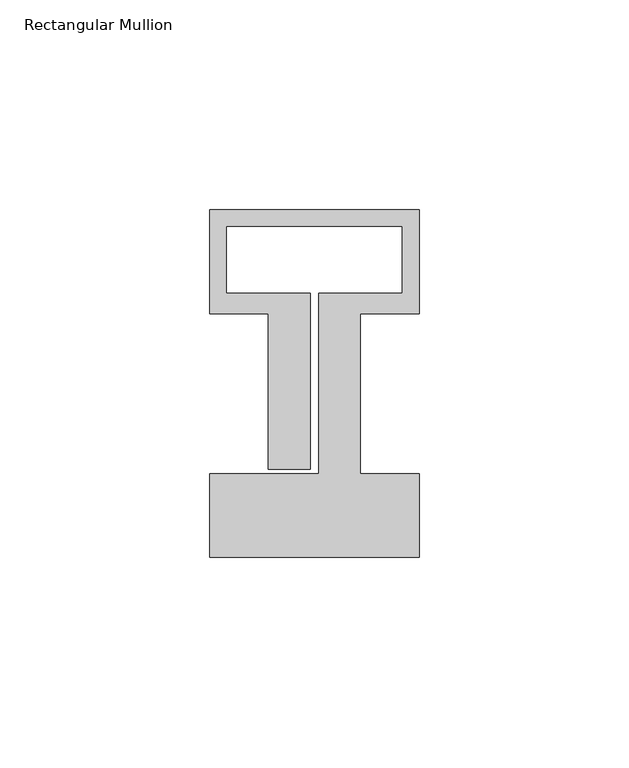
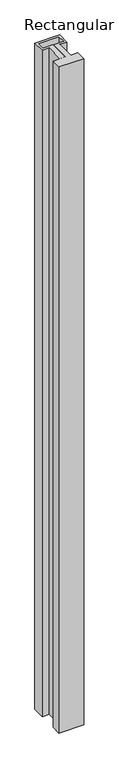
"""IFC4 building model written with IfcOpenShell, lengths in millimetres: member geometry, Rectangular Mullion."""

from ifc_helpers import new_model, si_unit, frame, origin, place, context, project, spatial, polyline, outline, extrude, source, transform, mapped, element, save


def rectangular_mullion_72d52d1e(model_context):
    return source(origin(), model_context, "Body", "SweptSolid", [
        extrude(outline(polyline([(0.0, -58.0), (-50.0, -58.0), (-50.0, -38.0), (-24.0, -38.0), (-24.0, 5.0), (-4.0, 5.0), (-4.0, 21.0), (-46.0, 21.0), (-46.0, 5.0), (-26.0, 5.0), (-26.0, -37.0), (-36.0, -37.0), (-36.0, 0.1), (-50.0, 0.1), (-50.0, 25.0), (0.0, 25.0), (0.0, 0.1), (-14.0, 0.1), (-14.0, -38.0), (0.0, -38.0), (0.0, -58.0)])), frame((0.0, 0.0, -1415.0), z_axis=(0.0, 0.0, 1.0), x_axis=(1.0, 0.0, 0.0)), (0.0, 0.0, 1.0), 1415.0),
    ])


if __name__ == "__main__":
    model = new_model("IFC4")
    model_context = context("Model", 3, world=origin())
    ifc_project = project(units=[si_unit("LENGTHUNIT", "METRE", prefix="MILLI")], contexts=[model_context])
    site = spatial("IfcSite", under=ifc_project)
    building = spatial("IfcBuilding", under=site)
    placement = place(None, origin())
    rectangular_mullion_shape = rectangular_mullion_72d52d1e(model_context)
    element("IfcMember", 1, ObjectType="Rectangular Mullion", at=placement, inside=building, context=model_context, shape_type="MappedRepresentation", body=[
        mapped(rectangular_mullion_shape, transform((0.0, 0.0, 0.0), x_axis=(1.0, 0.0, 0.0), y_axis=(0.0, 1.0, 0.0), z_axis=(0.0, 0.0, 1.0))),
    ])
    save(model, "model.ifc")
